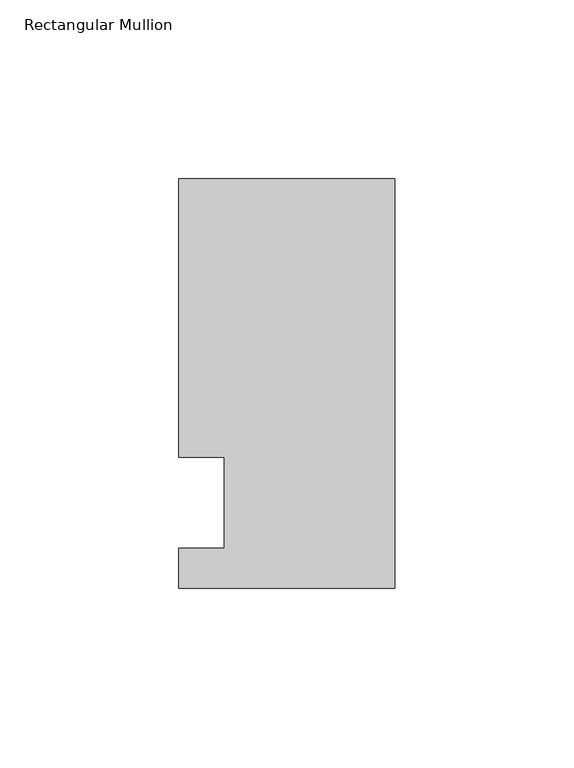
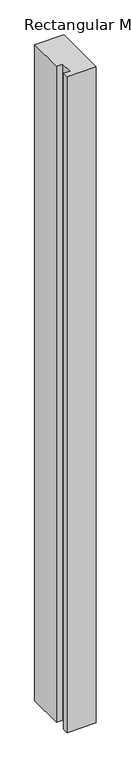
"""IFC4 building model written with IfcOpenShell, lengths in millimetres: member geometry, Rectangular Mullion."""

from ifc_helpers import new_model, si_unit, frame, origin, place, context, project, spatial, polyline, outline, extrude, source, transform, mapped, element, save


def rectangular_mullion_1ad57100(model_context):
    return source(origin(), model_context, "Body", "SweptSolid", [
        extrude(outline(polyline([(-60.325, 90.4875), (0.0, 90.4875), (0.0, -23.8125), (-60.325, -23.8125), (-60.325, -12.7), (-47.6232296, -12.7), (-47.6232296, 12.7), (-60.325, 12.7), (-60.325, 90.4875)])), frame((0.0, 0.0, -1425.6760693), z_axis=(0.0, 0.0, 1.0), x_axis=(1.0, 0.0, 0.0)), (0.0, 0.0, 1.0), 1425.6760693),
    ])


if __name__ == "__main__":
    model = new_model("IFC4")
    model_context = context("Model", 3, world=origin())
    ifc_project = project(units=[si_unit("LENGTHUNIT", "METRE", prefix="MILLI")], contexts=[model_context])
    site = spatial("IfcSite", under=ifc_project)
    building = spatial("IfcBuilding", under=site)
    placement = place(None, origin())
    rectangular_mullion_shape = rectangular_mullion_1ad57100(model_context)
    element("IfcMember", 1, ObjectType="Rectangular Mullion", at=placement, inside=building, context=model_context, shape_type="MappedRepresentation", body=[
        mapped(rectangular_mullion_shape, transform((0.0, 0.0, 0.0), x_axis=(1.0, 0.0, 0.0), y_axis=(0.0, 1.0, 0.0), z_axis=(0.0, 0.0, 1.0))),
    ])
    save(model, "model.ifc")
